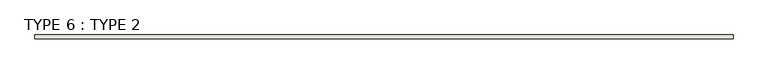
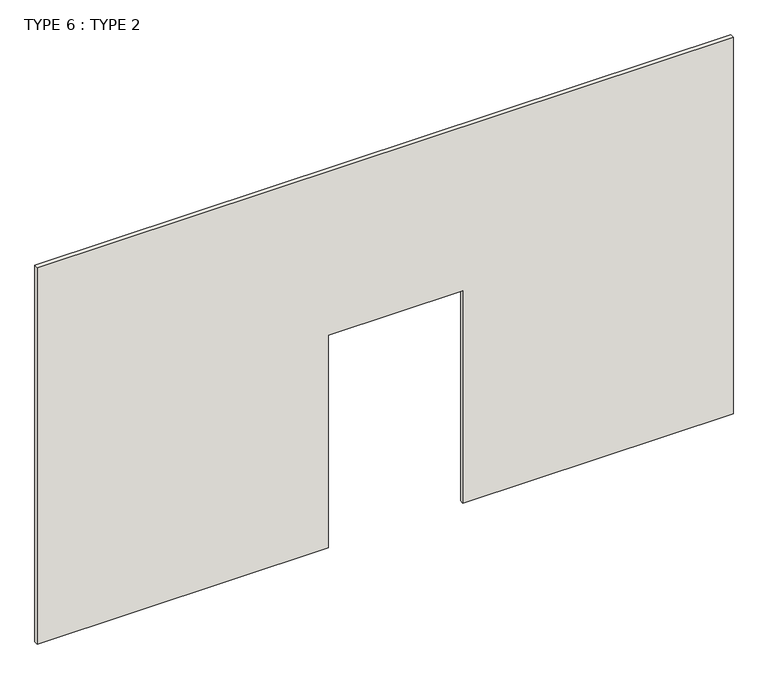
"""IFC4 building model written with IfcOpenShell, lengths in millimetres: wall geometry, TYPE 6 : TYPE 2."""

from ifc_helpers import new_model, si_unit, frame, origin, place, context, project, spatial, polyline, outline, extrude, source, transform, mapped, element, save


def type_6_type_2_5714532a(model_context):
    return source(origin(), model_context, "Body", "SweptSolid", [
        extrude(outline(polyline([(5403.85, -1220.7440345), (5403.85, -10669.5440345), (0.0, -10669.5440345), (0.0, -6719.8440345), (3048.0, -6719.8440345), (3048.0, -4891.0440345), (0.0, -4891.0440345), (0.0, -1220.7440345), (5403.85, -1220.7440345)])), frame((0.0, 25927.840365, 0.0), z_axis=(0.0, 1.0, 0.0), x_axis=(0.0, 0.0, 1.0)), (0.0, 0.0, 1.0), 50.8),
    ])


if __name__ == "__main__":
    model = new_model("IFC4")
    model_context = context("Model", 3, world=origin())
    ifc_project = project(units=[si_unit("LENGTHUNIT", "METRE", prefix="MILLI")], contexts=[model_context])
    site = spatial("IfcSite", under=ifc_project)
    building = spatial("IfcBuilding", under=site)
    placement = place(None, origin())
    type_6_type_2_shape = type_6_type_2_5714532a(model_context)
    element("IfcWall", 1, ObjectType="TYPE 6 : TYPE 2", at=placement, inside=building, context=model_context, shape_type="MappedRepresentation", body=[
        mapped(type_6_type_2_shape, transform((0.0, 0.0, 0.0), x_axis=(1.0, 0.0, 0.0), y_axis=(0.0, 1.0, 0.0), z_axis=(0.0, 0.0, 1.0))),
    ])
    save(model, "model.ifc")
